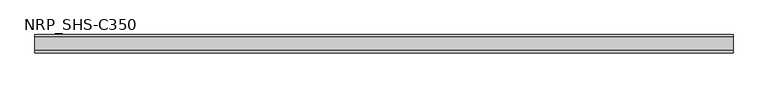
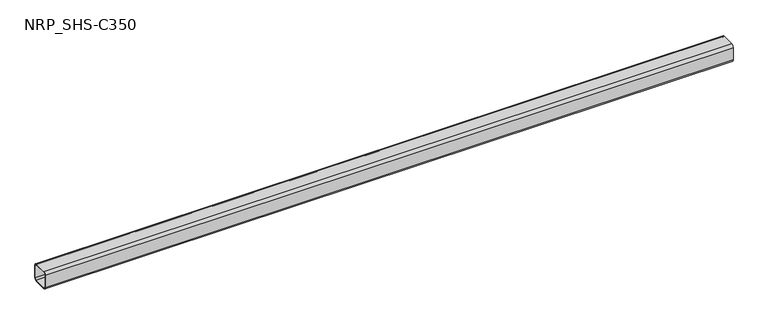
"""IFC4 building model written with IfcOpenShell, lengths in millimetres: member geometry, NRP_SHS-C350."""

from ifc_helpers import new_model, si_unit, point, frame, frame_2d, origin, place, context, project, spatial, polyline, circle_curve, trimmed, segment, composite_curve, outline, extrude, source, transform, mapped, element, save


def nrp_shs_c350_7126d1f9(model_context):
    return source(origin(), model_context, "Body", "SweptSolid", [
        extrude(outline(composite_curve([segment(trimmed(circle_curve(frame_2d((-32.0, 32.0)), 12.5), [point((-44.5, 32.0))], [point((-32.0, 44.5))], False, "CARTESIAN"), True, "CONTINUOUS"), segment(polyline([(-32.0, 44.5), (32.0, 44.5)]), True, "CONTINUOUS"), segment(trimmed(circle_curve(frame_2d((32.0, 32.0)), 12.5), [point((32.0, 44.5))], [point((44.5, 32.0))], False, "CARTESIAN"), True, "CONTINUOUS"), segment(polyline([(44.5, 32.0), (44.5, -32.0)]), True, "CONTINUOUS"), segment(trimmed(circle_curve(frame_2d((32.0, -32.0)), 12.5), [point((44.5, -32.0))], [point((32.0, -44.5))], False, "CARTESIAN"), True, "CONTINUOUS"), segment(polyline([(32.0, -44.5), (-32.0, -44.5)]), True, "CONTINUOUS"), segment(trimmed(circle_curve(frame_2d((-32.0, -32.0)), 12.5), [point((-32.0, -44.5))], [point((-44.5, -32.0))], False, "CARTESIAN"), True, "CONTINUOUS"), segment(polyline([(-44.5, -32.0), (-44.5, 32.0)]), True, "CONTINUOUS")], self_intersect=False), holes=[composite_curve([segment(polyline([(32.0, 39.5), (-32.0, 39.5)]), True, "CONTINUOUS"), segment(trimmed(circle_curve(frame_2d((-32.0, 32.0)), 7.5), [point((-32.0, 39.5))], [point((-39.5, 32.0))], True, "CARTESIAN"), True, "CONTINUOUS"), segment(polyline([(-39.5, 32.0), (-39.5, -32.0)]), True, "CONTINUOUS"), segment(trimmed(circle_curve(frame_2d((-32.0, -32.0)), 7.5), [point((-39.5, -32.0))], [point((-32.0, -39.5))], True, "CARTESIAN"), True, "CONTINUOUS"), segment(polyline([(-32.0, -39.5), (32.0, -39.5)]), True, "CONTINUOUS"), segment(trimmed(circle_curve(frame_2d((32.0, -32.0)), 7.5), [point((32.0, -39.5))], [point((39.5, -32.0))], True, "CARTESIAN"), True, "CONTINUOUS"), segment(polyline([(39.5, -32.0), (39.5, 32.0)]), True, "CONTINUOUS"), segment(trimmed(circle_curve(frame_2d((32.0, 32.0)), 7.5), [point((39.5, 32.0))], [point((32.0, 39.5))], True, "CARTESIAN"), True, "CONTINUOUS")], self_intersect=False)]), frame((-1702.0, 0.0, 0.0), z_axis=(1.0, 0.0, 0.0), x_axis=(0.0, 1.0, 0.0)), (0.0, 0.0, 1.0), 3409.0),
    ])


if __name__ == "__main__":
    model = new_model("IFC4")
    model_context = context("Model", 3, world=origin())
    ifc_project = project(units=[si_unit("LENGTHUNIT", "METRE", prefix="MILLI")], contexts=[model_context])
    site = spatial("IfcSite", under=ifc_project)
    building = spatial("IfcBuilding", under=site)
    placement = place(None, origin())
    nrp_shs_c350_shape = nrp_shs_c350_7126d1f9(model_context)
    element("IfcMember", 1, ObjectType="NRP_SHS-C350", at=placement, inside=building, context=model_context, shape_type="MappedRepresentation", body=[
        mapped(nrp_shs_c350_shape, transform((0.0, 0.0, 0.0), x_axis=(1.0, 0.0, 0.0), y_axis=(0.0, 1.0, 0.0), z_axis=(0.0, 0.0, 1.0))),
    ])
    save(model, "model.ifc")
